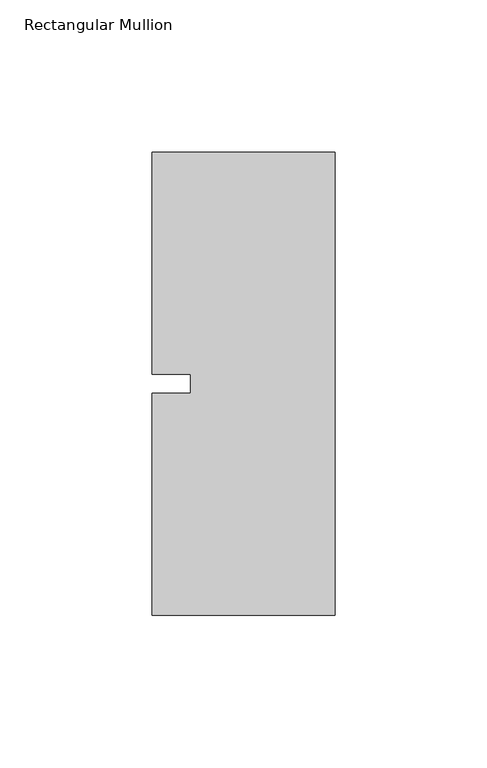
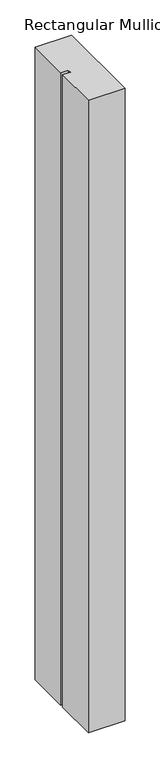
"""IFC4 building model written with IfcOpenShell, lengths in millimetres: member geometry, Rectangular Mullion."""

from ifc_helpers import new_model, si_unit, frame, origin, place, context, project, spatial, polyline, outline, extrude, source, transform, mapped, element, save


def rectangular_mullion_7cffd555(model_context):
    return source(origin(), model_context, "Body", "SweptSolid", [
        extrude(outline(polyline([(-60.325, 76.2), (0.0, 76.2), (0.0, -76.2), (-60.325, -76.2), (-60.325, -3.175), (-47.6232296, -3.175), (-47.6232296, 3.175), (-60.325, 3.175), (-60.325, 76.2)])), frame((0.0, 0.0, -1099.7094027), z_axis=(0.0, 0.0, 1.0), x_axis=(1.0, 0.0, 0.0)), (0.0, 0.0, 1.0), 1099.7094027),
    ])


if __name__ == "__main__":
    model = new_model("IFC4")
    model_context = context("Model", 3, world=origin())
    ifc_project = project(units=[si_unit("LENGTHUNIT", "METRE", prefix="MILLI")], contexts=[model_context])
    site = spatial("IfcSite", under=ifc_project)
    building = spatial("IfcBuilding", under=site)
    placement = place(None, origin())
    rectangular_mullion_shape = rectangular_mullion_7cffd555(model_context)
    element("IfcMember", 1, ObjectType="Rectangular Mullion", at=placement, inside=building, context=model_context, shape_type="MappedRepresentation", body=[
        mapped(rectangular_mullion_shape, transform((0.0, 0.0, 0.0), x_axis=(1.0, 0.0, 0.0), y_axis=(0.0, 1.0, 0.0), z_axis=(0.0, 0.0, 1.0))),
    ])
    save(model, "model.ifc")
